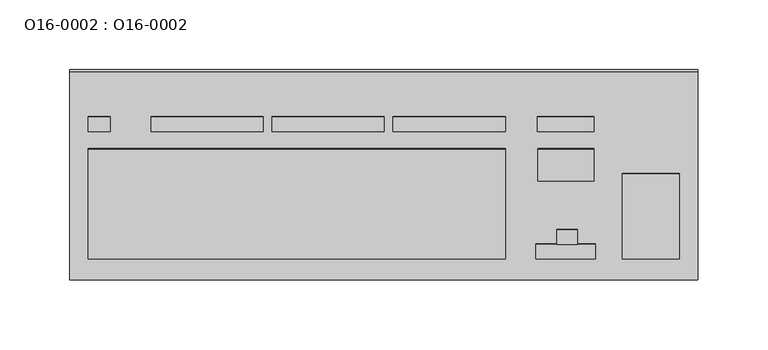
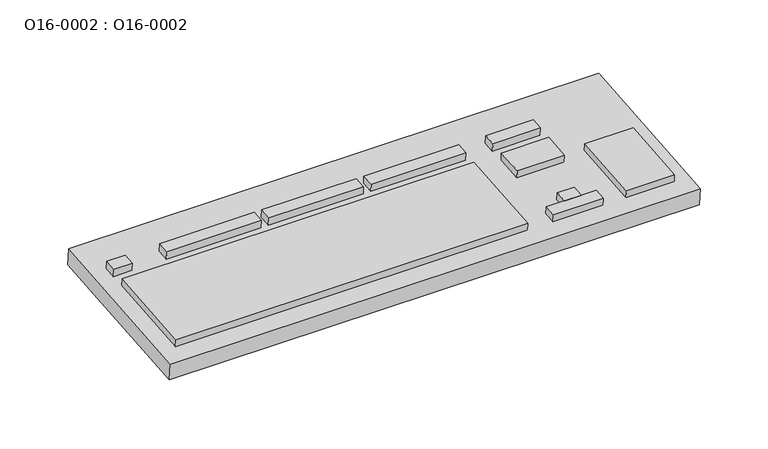
"""IFC4 building model written with IfcOpenShell, lengths in millimetres: furniture geometry, O16-0002 : O16-0002."""

from ifc_helpers import new_model, si_unit, frame, origin, place, context, project, spatial, polyline, outline, extrude, source, transform, mapped, element, save


def o16_0002_o16_0002_212967f9(model_context):
    return source(origin(), model_context, "Body", "SweptSolid", [
        extrude(outline(polyline([(20.3153078, 5.2256934), (20.3153078, -5.2256934), (-20.3153078, -5.2256934), (-20.3153078, 5.2256934), (20.3153078, 5.2256934)])), frame((130.4014222, 36.6915833, 744.6895897), z_axis=(0.0, -0.08715574274765832, 0.9961946980917455), x_axis=(1.0, 0.0, 0.0)), (0.0, 0.0, 1.0), 7.0),
        extrude(outline(polyline([(50.1790075, -5.2256934), (-30.1790076, -5.2256934), (-30.1790076, 5.2256934), (50.1790075, 5.2256934), (50.1790075, -5.2256934)])), frame((-136.6461222, 36.6915833, 744.6895897), z_axis=(0.0, -0.08715574274765832, 0.9961946980917455), x_axis=(1.0, 0.0, 0.0)), (0.0, 0.0, 1.0), 7.0),
        extrude(outline(polyline([(50.1790076, -5.2256934), (-30.1790075, -5.2256934), (-30.1790075, 5.2256934), (50.1790076, 5.2256934), (50.1790076, -5.2256934)])), frame((-49.8339049, 36.6915833, 744.6895897), z_axis=(0.0, -0.08715574274765832, 0.9961946980917455), x_axis=(1.0, 0.0, 0.0)), (0.0, 0.0, 1.0), 7.0),
        extrude(outline(polyline([(50.1790075, -5.2256934), (-30.1790076, -5.2256934), (-30.1790076, 5.2256934), (50.1790075, 5.2256934), (50.1790075, -5.2256934)])), frame((36.9783125, 36.6915833, 744.6895897), z_axis=(0.0, -0.08715574274765832, 0.9961946980917455), x_axis=(1.0, 0.0, 0.0)), (0.0, 0.0, 1.0), 7.0),
        extrude(outline(polyline([(7.8342955, 5.2256934), (7.8342955, -5.2256934), (-7.8342954, -5.2256934), (-7.8342954, 5.2256934), (7.8342955, 5.2256934)])), frame((-203.8783988, 36.6915833, 744.6895897), z_axis=(0.0, -0.08715574274765832, 0.9961946980917455), x_axis=(1.0, 0.0, 0.0)), (0.0, 0.0, 1.0), 7.0),
        extrude(outline(polyline([(225.0, 74.9999999), (225.0, -75.0), (-225.0, -75.0), (-225.0, 74.9999999), (225.0, 74.9999999)])), frame((0.0, 0.6536681, 726.5366807), z_axis=(0.0, -0.08715574274765832, 0.9961946980917455), x_axis=(1.0, 0.0, 0.0)), (0.0, 0.0, 1.0), 15.0),
        extrude(outline(polyline([(20.1137371, 11.5098469), (20.1137371, -11.5098468), (-20.113737, -11.5098468), (-20.113737, 11.5098469), (20.1137371, 11.5098469)])), frame((130.6029929, 7.7125056, 742.154249), z_axis=(0.0, -0.08715574274765832, 0.9961946980917455), x_axis=(1.0, 0.0, 0.0)), (0.0, 0.0, 1.0), 7.0),
        extrude(outline(polyline([(7.2409458, 5.2256937), (7.2409458, -5.2256937), (-7.2409459, -5.2256937), (-7.2409459, 5.2256937), (7.2409458, 5.2256937)])), frame((131.4075424, -44.1986693, 737.6126097), z_axis=(0.0, -0.08715574274765832, 0.9961946980917455), x_axis=(1.0, 0.0, 0.0)), (0.0, 0.0, 1.0), 7.0),
        extrude(outline(polyline([(21.320562, 5.2256937), (21.320562, -5.2256937), (-21.320562, -5.2256937), (-21.320562, 5.2256937), (21.320562, 5.2256937)])), frame((130.200718, -54.6102861, 736.7017112), z_axis=(0.0, -0.08715574274765832, 0.9961946980917455), x_axis=(1.0, 0.0, 0.0)), (0.0, 0.0, 1.0), 7.0),
        extrude(outline(polyline([(149.4350071, 39.6481977), (149.4350071, -39.6481977), (-149.4350071, -39.6481977), (-149.4350071, 39.6481977), (149.4350071, 39.6481977)])), frame((-62.2776871, -20.3187702, 739.7018301), z_axis=(0.0, -0.08715574274765832, 0.9961946980917455), x_axis=(1.0, 0.0, 0.0)), (0.0, 0.0, 1.0), 7.0),
        extrude(outline(polyline([(20.5160121, 30.5502092), (20.5160121, -30.5502091), (-20.516012, -30.5502091), (-20.516012, 30.5502092), (20.5160121, 30.5502092)])), frame((191.3464802, -29.3821382, 738.9088882), z_axis=(0.0, -0.08715574274765832, 0.9961946980917455), x_axis=(1.0, 0.0, 0.0)), (0.0, 0.0, 1.0), 7.0),
        extrude(outline(polyline([(189.6324444, 50.8333863), (204.6324444, 50.8333863), (204.6324444, 44.5951265), (189.6324444, 44.5951265), (189.6324444, 50.8333863)])), frame((0.0, 0.0, 720.0), z_axis=(0.0, 0.0, 1.0), x_axis=(1.0, 0.0, 0.0)), (0.0, 0.0, 1.0), 13.4184729),
        extrude(outline(polyline([(-204.6324444, 50.8333863), (-189.6324444, 50.8333863), (-189.6324444, 44.5951265), (-204.6324444, 44.5951265), (-204.6324444, 50.8333863)])), frame((0.0, 0.0, 720.0), z_axis=(0.0, 0.0, 1.0), x_axis=(1.0, 0.0, 0.0)), (0.0, 0.0, 1.0), 13.4184729),
    ])


if __name__ == "__main__":
    model = new_model("IFC4")
    model_context = context("Model", 3, world=origin())
    ifc_project = project(units=[si_unit("LENGTHUNIT", "METRE", prefix="MILLI")], contexts=[model_context])
    site = spatial("IfcSite", under=ifc_project)
    building = spatial("IfcBuilding", under=site)
    placement = place(None, origin())
    o16_0002_o16_0002_shape = o16_0002_o16_0002_212967f9(model_context)
    element("IfcFurniture", 1, ObjectType="O16-0002 : O16-0002", at=placement, inside=building, context=model_context, shape_type="MappedRepresentation", body=[
        mapped(o16_0002_o16_0002_shape, transform((0.0, 0.0, 0.0), x_axis=(1.0, 0.0, 0.0), y_axis=(0.0, 1.0, 0.0), z_axis=(0.0, 0.0, 1.0))),
    ])
    save(model, "model.ifc")
